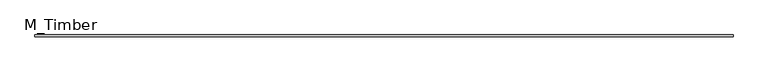
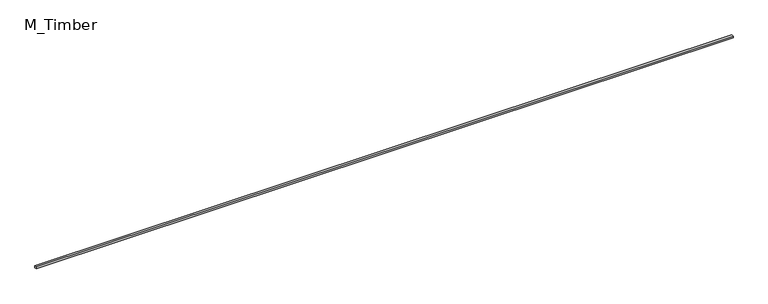
"""IFC4 building model written with IfcOpenShell, lengths in millimetres: beam geometry, M_Timber."""

from ifc_helpers import new_model, si_unit, frame, origin, place, context, project, spatial, polyline, outline, extrude, source, transform, mapped, element, save


def m_timber_3889ed1a(model_context):
    return source(origin(), model_context, "Body", "SweptSolid", [
        extrude(outline(polyline([(7328.1702751, 20.0), (7328.1702751, -20.0), (-7328.1702751, -20.0), (-7328.1702751, 20.0), (7328.1702751, 20.0)])), frame((0.0, 0.0, -20.0), z_axis=(0.0, 0.0, 1.0), x_axis=(1.0, 0.0, 0.0)), (0.0, 0.0, 1.0), 40.0),
    ])


if __name__ == "__main__":
    model = new_model("IFC4")
    model_context = context("Model", 3, world=origin())
    ifc_project = project(units=[si_unit("LENGTHUNIT", "METRE", prefix="MILLI")], contexts=[model_context])
    site = spatial("IfcSite", under=ifc_project)
    building = spatial("IfcBuilding", under=site)
    placement = place(None, origin())
    m_timber_shape = m_timber_3889ed1a(model_context)
    element("IfcBeam", 1, ObjectType="M_Timber", at=placement, inside=building, context=model_context, shape_type="MappedRepresentation", body=[
        mapped(m_timber_shape, transform((0.0, 0.0, 0.0), x_axis=(1.0, 0.0, 0.0), y_axis=(0.0, 1.0, 0.0), z_axis=(0.0, 0.0, 1.0))),
    ])
    save(model, "model.ifc")
